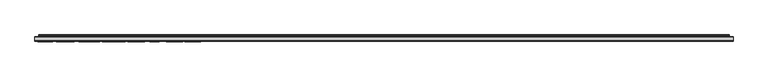
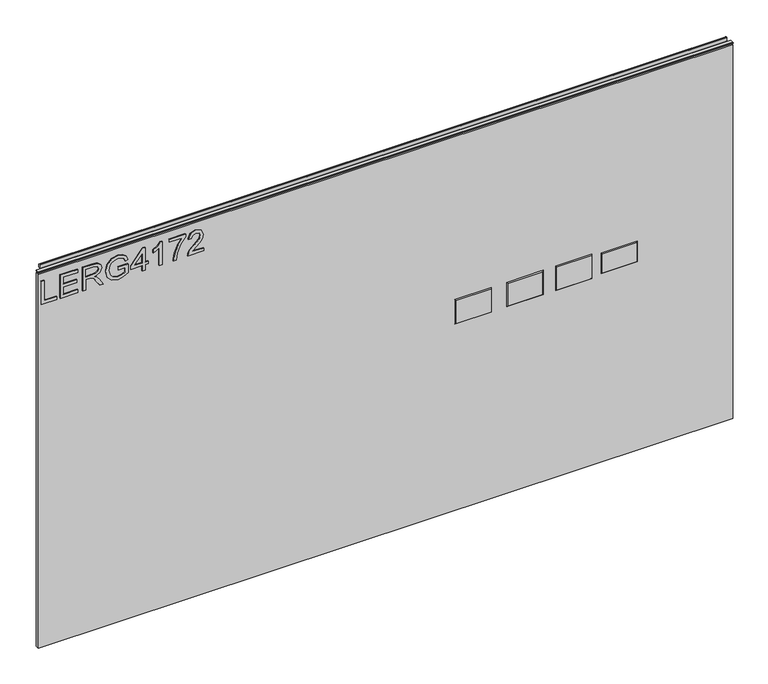
"""IFC4 building model written with IfcOpenShell, lengths in millimetres: furniture geometry."""

import ifcopenshell
import ifcopenshell.guid

model = None  # the IFC model being written
_history = None  # IfcOwnerHistory: only IFC2X3 demands one
_inside = {}  # id of a spatial element -> (the spatial element, [elements in it])
_under = {}  # id of a project, library or spatial element -> (it, [spatial elements below it])
_declared = {}  # id of a project -> (the project, [libraries it declares])
_typed = {}  # id of a type object -> (the type object, [elements of that type])
_made_of = {}  # id of a material, layer set ... -> (it, [elements and type objects made of it])


def new_model(schema):
    """Start an empty IFC model of exactly this schema.

    Asked for "IFC4X3", IfcOpenShell would pick the latest addendum, in which some entities
    have other attributes; the version numbers below select the first issue.
    IFC2X3 requires an IfcOwnerHistory on every rooted entity: one is made here for all.
    """
    global model, _history
    if schema == "IFC4X3":
        model = ifcopenshell.file(schema_version=(4, 3, 0, 0))
    else:
        model = ifcopenshell.file(schema=schema)
    _inside.clear()
    _under.clear()
    _declared.clear()
    _typed.clear()
    _made_of.clear()
    _history = None
    if model.schema == "IFC2X3":
        org = make("IfcOrganization", Name="unknown")
        user = make(
            "IfcPersonAndOrganization",
            ThePerson=make("IfcPerson", FamilyName="unknown"),
            TheOrganization=org,
        )
        app = make(
            "IfcApplication",
            ApplicationDeveloper=org,
            Version="unknown",
            ApplicationFullName="unknown",
            ApplicationIdentifier="unknown",
        )
        _history = make(
            "IfcOwnerHistory",
            OwningUser=user,
            OwningApplication=app,
            ChangeAction="ADDED",
            CreationDate=0,
        )
    return model


def make(cls, **values):
    """One entity of the class cls with the attributes given. An attribute that is None is left unset."""
    return model.create_entity(
        cls, **{name: value for name, value in values.items() if value is not None}
    )


def rooted(cls, **values):
    """An entity with a GlobalId (a new one), such as an element, a storey or a relation."""
    return make(cls, GlobalId=ifcopenshell.guid.new(), OwnerHistory=_history, **values)


def si_unit(unit_type, name, prefix=None):
    """IfcSIUnit, for example si_unit("LENGTHUNIT", "METRE", prefix="MILLI")."""
    return make("IfcSIUnit", UnitType=unit_type, Prefix=prefix, Name=name)


def assignment(units):
    """IfcUnitAssignment: the units of a project."""
    return None if units is None else make("IfcUnitAssignment", Units=units)


def point(xyz):
    """IfcCartesianPoint."""
    return None if xyz is None else make("IfcCartesianPoint", Coordinates=xyz)


def direction(xyz):
    """IfcDirection."""
    return None if xyz is None else make("IfcDirection", DirectionRatios=xyz)


def frame(location, z_axis=None, x_axis=None):
    """IfcAxis2Placement3D, a coordinate frame: its origin and axes. An axis left out is left unset."""
    return make(
        "IfcAxis2Placement3D",
        Location=point(location),
        Axis=direction(z_axis),
        RefDirection=direction(x_axis),
    )


def origin():
    """The frame at (0, 0, 0) with its axes left unset."""
    return frame((0.0, 0.0, 0.0))


def place(relative_to, where):
    """IfcLocalPlacement: puts the frame where relative to a parent placement (None: the world)."""
    return make(
        "IfcLocalPlacement", PlacementRelTo=relative_to, RelativePlacement=where
    )


def context(
    kind, dimensions, precision=None, world=None, true_north=None, identifier=None
):
    """IfcGeometricRepresentationContext, for example the 3D "Model" context."""
    return make(
        "IfcGeometricRepresentationContext",
        ContextIdentifier=identifier,
        ContextType=kind,
        CoordinateSpaceDimension=dimensions,
        Precision=precision,
        WorldCoordinateSystem=world,
        TrueNorth=true_north,
    )


def project(units=None, contexts=None):
    """IfcProject with its units and contexts."""
    return rooted(
        "IfcProject",
        Name="project",
        RepresentationContexts=contexts,
        UnitsInContext=assignment(units),
    )


def spatial(cls, under=None, at=None, **own):
    """A site, building, storey or space (cls), placed at a placement, below another one or the project."""
    s = rooted(cls, ObjectPlacement=at, **own)
    if under is not None:
        _under.setdefault(under.id(), (under, []))[1].append(s)
    return s


def polyline(points):
    """IfcPolyline through the points."""
    return make("IfcPolyline", Points=[point(p) for p in points])


def outline(outer, holes=None, kind="AREA"):
    """IfcArbitraryClosedProfileDef: a profile drawn as a closed curve; with holes, ...WithVoids."""
    if holes is None:
        return make("IfcArbitraryClosedProfileDef", ProfileType=kind, OuterCurve=outer)
    return make(
        "IfcArbitraryProfileDefWithVoids",
        ProfileType=kind,
        OuterCurve=outer,
        InnerCurves=holes,
    )


def extrude(swept, where, along, depth):
    """IfcExtrudedAreaSolid: the profile swept, set in the frame where, extruded along a direction by depth."""
    return make(
        "IfcExtrudedAreaSolid",
        SweptArea=swept,
        Position=where,
        ExtrudedDirection=direction(along),
        Depth=depth,
    )


def faces_of(points, faces, orient=None, outer=None):
    """IfcFace entities. A face is a list of loops; a loop is a list of indices into points, from 0.

    orient and outer hold one flag for each loop. By default every Orientation is true, the
    first loop of a face is its IfcFaceOuterBound and the others are IfcFaceBound.
    """
    made = []
    for i, loops in enumerate(faces):
        bounds = []
        for j, loop in enumerate(loops):
            is_outer = j == 0 if outer is None else outer[i][j]
            bounds.append(
                make(
                    "IfcFaceOuterBound" if is_outer else "IfcFaceBound",
                    Bound=make("IfcPolyLoop", Polygon=[points[k] for k in loop]),
                    Orientation=True if orient is None else orient[i][j],
                )
            )
        made.append(make("IfcFace", Bounds=bounds))
    return made


def faceted_brep(points, faces, orient=None, outer=None, voids=None):
    """IfcFacetedBrep: a solid bounded by flat faces; with voids (closed shells), ...WithVoids."""
    shared = [point(p) for p in points]
    hull = make("IfcClosedShell", CfsFaces=faces_of(shared, faces, orient, outer))
    if voids is None:
        return make("IfcFacetedBrep", Outer=hull)
    return make(
        "IfcFacetedBrepWithVoids",
        Outer=hull,
        Voids=[
            make(cls, CfsFaces=faces_of(shared, fs, o, b)) for cls, fs, o, b in voids
        ],
    )


def shape(context_of_items, identifier, shape_type, items):
    """IfcShapeRepresentation: the items that make up one representation, for example the "Body"."""
    return make(
        "IfcShapeRepresentation",
        ContextOfItems=context_of_items,
        RepresentationIdentifier=identifier,
        RepresentationType=shape_type,
        Items=items,
    )


def source(mapping_origin, context_of_items, identifier, shape_type, items):
    """IfcRepresentationMap: a shape defined once, which mapped items show again and again."""
    return make(
        "IfcRepresentationMap",
        MappingOrigin=mapping_origin,
        MappedRepresentation=shape(context_of_items, identifier, shape_type, items),
    )


def transform(
    local_origin,
    x_axis=None,
    y_axis=None,
    z_axis=None,
    scale=None,
    scale2=None,
    scale3=None,
    uniform=True,
):
    """IfcCartesianTransformationOperator3D, or its non-uniform kind. x_axis, y_axis, z_axis: its Axis1, 2, 3."""
    if uniform:
        return make(
            "IfcCartesianTransformationOperator3D",
            Axis1=direction(x_axis),
            Axis2=direction(y_axis),
            LocalOrigin=point(local_origin),
            Scale=scale,
            Axis3=direction(z_axis),
        )
    return make(
        "IfcCartesianTransformationOperator3DnonUniform",
        Axis1=direction(x_axis),
        Axis2=direction(y_axis),
        LocalOrigin=point(local_origin),
        Scale=scale,
        Axis3=direction(z_axis),
        Scale2=scale2,
        Scale3=scale3,
    )


def mapped(mapping_source, mapping_target):
    """IfcMappedItem: shows the shape of a source again, moved by a transform."""
    return make(
        "IfcMappedItem", MappingSource=mapping_source, MappingTarget=mapping_target
    )


def made_of(thing, what):
    """Note that an element or type object is made of a material, layer set ...; save() writes the relation."""
    if what is not None:
        _made_of.setdefault(what.id(), (what, []))[1].append(thing)
    return thing


def element(
    cls,
    number,
    at=None,
    inside=None,
    cuts=None,
    type_object=None,
    material=None,
    context=None,
    identifier="Body",
    shape_type=None,
    held_by="IfcProductDefinitionShape",
    body=None,
    shapes=None,
    **own,
):
    """One element of the class cls, such as IfcWall. Its Tag is "e" and its number.

    at: its placement. inside: the storey or other place that contains it. cuts: it is an
    opening in that element (IfcRelVoidsElement). A single representation is given by context,
    identifier, shape_type and body (its items); several are given by shapes. held_by: the class
    of the entity that holds the representations. save() writes the other relations.
    """
    e = rooted(cls, Tag="e%d" % number, ObjectPlacement=at, **own)
    if body is not None:
        shapes = [shape(context, identifier, shape_type, body)]
    if shapes is not None:
        e.Representation = make(held_by, Representations=shapes)
    if inside is not None:
        _inside.setdefault(inside.id(), (inside, []))[1].append(e)
    if cuts is not None:
        rooted(
            "IfcRelVoidsElement", RelatingBuildingElement=cuts, RelatedOpeningElement=e
        )
    if type_object is not None:
        _typed.setdefault(type_object.id(), (type_object, []))[1].append(e)
    return made_of(e, material)


def aggregate(whole, parts):
    """IfcRelAggregates: a whole, such as a stair, and the parts it consists of."""
    return rooted("IfcRelAggregates", RelatingObject=whole, RelatedObjects=parts)


def save(model, path):
    """Write the relations noted so far, then the file.

    IfcRelAggregates (storeys below a building ...), IfcRelContainedInSpatialStructure (elements
    in a storey), IfcRelDefinesByType, IfcRelAssociatesMaterial and IfcRelDeclares: one each for
    every whole, place, type object, material and project.
    """
    for whole, parts in _under.values():
        aggregate(whole, parts)
    for where, things in _inside.values():
        rooted(
            "IfcRelContainedInSpatialStructure",
            RelatedElements=things,
            RelatingStructure=where,
        )
    for kind, things in _typed.values():
        rooted("IfcRelDefinesByType", RelatedObjects=things, RelatingType=kind)
    for what, things in _made_of.values():
        rooted("IfcRelAssociatesMaterial", RelatedObjects=things, RelatingMaterial=what)
    for by, libraries in _declared.values():
        rooted("IfcRelDeclares", RelatingContext=by, RelatedDefinitions=libraries)
    model.write(path)


def furniture_23f48b8a(model_context):
    return source(origin(), model_context, "Body", "SolidModel", [
        extrude(outline(polyline([(1051.5276297, -291.2189953), (1051.5276297, -251.3503972), (1059.5013493, -251.3503972), (1059.5013493, -283.2452757), (1115.3173866, -283.2452757), (1115.3173866, -291.2189953), (1051.5276297, -291.2189953)])), frame((0.0, -5.5279467, 0.0), z_axis=(0.0, 1.0, 0.0), x_axis=(0.0, 0.0, 1.0)), (0.0, 0.0, 1.0), 2.38125),
        extrude(outline(polyline([(1051.5276297, -242.3799627), (1051.5276297, -195.5343599), (1059.5013493, -195.5343599), (1059.5013493, -234.4062431), (1080.4323633, -234.4062431), (1080.4323633, -198.5245048), (1088.4060829, -198.5245048), (1088.4060829, -234.4062431), (1107.343667, -234.4062431), (1107.343667, -196.5310749), (1115.3173866, -196.5310749), (1115.3173866, -242.3799627), (1051.5276297, -242.3799627)])), frame((0.0, -5.5279467, 0.0), z_axis=(0.0, 1.0, 0.0), x_axis=(0.0, 0.0, 1.0)), (0.0, 0.0, 1.0), 2.38125),
        extrude(outline(polyline([(1051.5276297, -183.5737805), (1051.5276297, -175.6000609), (1079.4356483, -175.6000609), (1079.4356483, -165.9755321), (1079.1553223, -161.3501518), (1077.6368893, -157.5579629), (1073.5020796, -153.3452848), (1064.7496765, -147.3494214), (1051.5276297, -139.0486547), (1051.5276297, -129.7823204), (1068.8144046, -140.4191378), (1077.0217293, -146.8822113), (1080.4323633, -151.4141496), (1086.365932, -138.0597266), (1097.8593013, -133.7380329), (1107.5071906, -136.3466228), (1113.596496, -143.3236275), (1115.3173866, -156.0862509), (1115.3173866, -183.5737805), (1051.5276297, -183.5737805)]), holes=[polyline([(1087.409368, -175.6000609), (1107.343667, -175.6000609), (1107.343667, -155.7436302), (1104.5871272, -145.0834523), (1097.5634015, -141.7117525), (1092.1515508, -143.4793642), (1088.5384591, -148.649823), (1087.409368, -157.7526338), (1087.409368, -175.6000609)])]), frame((0.0, -5.5279467, 0.0), z_axis=(0.0, 1.0, 0.0), x_axis=(0.0, 0.0, 1.0)), (0.0, 0.0, 1.0), 2.38125),
        extrude(outline(polyline([(1076.4455035, -89.882575), (1076.4455035, -71.9417058), (1064.9209869, -71.9417058), (1060.5525721, -80.0166543), (1058.5046343, -90.9260109), (1061.22224, -103.0812613), (1069.5385803, -111.8025171), (1083.4380818, -114.8004488), (1095.9593134, -112.3086614), (1102.1031267, -108.2049991), (1106.6194913, -101.2591417), (1108.340382, -91.0506003), (1106.7440807, -82.0879526), (1102.4924685, -75.8740578), (1095.1183352, -72.2376056), (1097.1896334, -64.8868328), (1107.7407956, -69.706884), (1114.0481324, -78.4515004), (1116.3141016, -90.9260109), (1112.4051101, -107.7144284), (1100.4523175, -118.8885375), (1083.1110347, -122.7741684), (1066.1513069, -118.8729638), (1054.541135, -107.3172998), (1050.5309147, -90.2874904), (1053.0538495, -76.7617571), (1060.5759326, -63.9679862), (1084.4192231, -63.9679862), (1084.4192231, -89.882575), (1076.4455035, -89.882575)])), frame((0.0, -5.5279467, 0.0), z_axis=(0.0, 1.0, 0.0), x_axis=(0.0, 0.0, 1.0)), (0.0, 0.0, 1.0), 2.38125),
        extrude(outline(polyline([(1051.5276297, -28.0862479), (1051.5276297, -20.1125283), (1066.478354, -20.1125283), (1066.478354, -12.1388087), (1074.4520736, -12.1388087), (1074.4520736, -20.1125283), (1114.3206717, -20.1125283), (1114.3206717, -26.092818), (1074.4520736, -56.9909816), (1066.478354, -56.9909816), (1066.478354, -28.0862479), (1051.5276297, -28.0862479)]), holes=[polyline([(1074.4520736, -28.0862479), (1074.4520736, -47.1795687), (1099.0896213, -28.0862479), (1074.4520736, -28.0862479)])]), frame((0.0, -5.5279467, 0.0), z_axis=(0.0, 1.0, 0.0), x_axis=(0.0, 0.0, 1.0)), (0.0, 0.0, 1.0), 2.38125),
        extrude(outline(polyline([(1051.5276297, 24.7396445), (1115.3173866, 24.7396445), (1115.3173866, 19.6003331), (1106.8297359, 12.5065259), (1099.3699474, 0.8184857), (1091.8322906, 0.8184857), (1095.8580845, 9.2126944), (1101.2387879, 16.7659249), (1051.5276297, 16.7659249), (1051.5276297, 24.7396445)])), frame((0.0, -5.5279467, 0.0), z_axis=(0.0, 1.0, 0.0), x_axis=(0.0, 0.0, 1.0)), (0.0, 0.0, 1.0), 2.38125),
        extrude(outline(polyline([(1106.3469521, 43.6772286), (1106.3469521, 77.565537), (1089.8466475, 65.5115156), (1069.5152198, 56.8136202), (1051.5276297, 53.6443781), (1051.5276297, 61.6180978), (1068.8611256, 64.5770953), (1090.7187731, 73.6643324), (1107.8731718, 85.5392566), (1114.3206717, 85.5392566), (1114.3206717, 43.6772286), (1106.3469521, 43.6772286)])), frame((0.0, -5.5279467, 0.0), z_axis=(0.0, 1.0, 0.0), x_axis=(0.0, 0.0, 1.0)), (0.0, 0.0, 1.0), 2.38125),
        extrude(outline(polyline([(1059.5013493, 133.3815743), (1059.5013493, 102.0629217), (1063.5582906, 105.6604397), (1071.2283237, 114.833332), (1082.153254, 126.2566198), (1089.9712369, 130.9676553), (1097.5322542, 132.3848594), (1110.2092225, 127.1287454), (1115.3173866, 112.8554758), (1110.7231536, 98.6289272), (1097.3765175, 92.5162613), (1096.3798025, 100.4899809), (1104.4313905, 103.846107), (1107.343667, 112.6841654), (1104.361309, 121.1640293), (1097.0494704, 124.4111398), (1088.0167411, 120.9693584), (1074.7323997, 107.2022332), (1065.4894258, 97.21951), (1057.0251356, 92.3760982), (1051.5276297, 91.5195463), (1051.5276297, 133.3815743), (1059.5013493, 133.3815743)])), frame((0.0, -5.5279467, 0.0), z_axis=(0.0, 1.0, 0.0), x_axis=(0.0, 0.0, 1.0)), (0.0, 0.0, 1.0), 2.38125),
        faceted_brep([(1265.2763937, -5.2069939, 677.1132), (1175.6143937, -5.2069939, 677.1132), (1175.6143937, -5.2069939, 625.0432), (1265.2763937, -5.2069939, 625.0432), (1267.5623937, -3.1749939, 679.3992), (1267.5623937, -3.1749939, 622.7572), (1173.3283937, -3.1749939, 622.7572), (1173.3283937, -3.1749939, 679.3992)], [[[0, 1, 2, 3]], [[4, 5, 6, 7]], [[4, 7, 1, 0]], [[7, 6, 2, 1]], [[6, 5, 3, 2]], [[5, 4, 0, 3]]]),
        faceted_brep([(1147.0266938, -5.2069939, 682.5742), (1056.3486937, -5.2069939, 682.5742), (1056.3486937, -5.2069939, 619.5822), (1147.0266938, -5.2069939, 619.5822), (1149.3126938, -3.1749939, 684.8602), (1149.3126938, -3.1749939, 617.2962), (1054.0626937, -3.1749939, 617.2962), (1054.0626937, -3.1749939, 684.8602)], [[[0, 1, 2, 3]], [[4, 5, 6, 7]], [[4, 7, 1, 0]], [[7, 6, 2, 1]], [[6, 5, 3, 2]], [[5, 4, 0, 3]]]),
        faceted_brep([(1020.0266937, -5.2069939, 682.5742), (929.3486937, -5.2069939, 682.5742), (929.3486937, -5.2069939, 619.5822), (1020.0266937, -5.2069939, 619.5822), (1022.3126937, -3.1749939, 684.8602), (1022.3126937, -3.1749939, 617.2962), (927.0626937, -3.1749939, 617.2962), (927.0626937, -3.1749939, 684.8602)], [[[0, 1, 2, 3]], [[4, 5, 6, 7]], [[4, 7, 1, 0]], [[7, 6, 2, 1]], [[6, 5, 3, 2]], [[5, 4, 0, 3]]]),
        faceted_brep([(884.2890937, -5.2069939, 682.5742), (793.6110937, -5.2069939, 682.5742), (793.6110937, -5.2069939, 619.5822), (884.2890937, -5.2069939, 619.5822), (886.5750937, -3.1749939, 684.8602), (886.5750937, -3.1749939, 617.2962), (791.3250937, -3.1749939, 617.2962), (791.3250937, -3.1749939, 684.8602)], [[[0, 1, 2, 3]], [[4, 5, 6, 7]], [[4, 7, 1, 0]], [[7, 6, 2, 1]], [[6, 5, 3, 2]], [[5, 4, 0, 3]]]),
        extrude(outline(polyline([(-298.196, 6.3500061), (1516.888, 6.3500061), (1516.888, -3.1749939), (-298.196, -3.1749939), (-298.196, 6.3500061)])), frame((0.0, 0.0, 101.6), z_axis=(0.0, 0.0, 1.0), x_axis=(1.0, 0.0, 0.0)), (0.0, 0.0, 1.0), 1033.9578),
        extrude(outline(polyline([(5.5562561, 1143.0), (5.5562561, 1139.8249996), (-3.975094, 1139.8249996), (-5.3492339, 1140.6183657), (-5.3492339, 1142.2066395), (-3.9751037, 1143.0), (5.5562561, 1143.0)])), frame((-298.196, 0.0, 0.0), z_axis=(1.0, 0.0, 0.0), x_axis=(0.0, 1.0, 0.0)), (0.0, 0.0, 1.0), 1815.084),
        extrude(outline(polyline([(5.5562561, 1143.0), (6.3500061, 1143.0), (6.3500061, 1152.87425), (7.1437561, 1153.668), (8.6677569, 1153.668), (10.0084363, 1153.2506926), (10.875413, 1152.1461816), (10.9623604, 1150.7447591), (10.2390011, 1147.7863459), (10.4046103, 1146.5833307), (11.6746103, 1144.3836103), (10.7786383, 1143.8663244), (7.1437561, 1143.8663244), (7.1437561, 1143.0), (6.3500061, 1142.7669239), (6.3500061, 1135.5578), (5.5562561, 1135.5578), (5.5562561, 1143.0)])), frame((-288.671, 0.0, 0.0), z_axis=(1.0, 0.0, 0.0), x_axis=(0.0, 1.0, 0.0)), (0.0, 0.0, 1.0), 1796.034),
    ])


if __name__ == "__main__":
    model = new_model("IFC4")
    model_context = context("Model", 3, world=origin())
    ifc_project = project(units=[si_unit("LENGTHUNIT", "METRE", prefix="MILLI")], contexts=[model_context])
    site = spatial("IfcSite", under=ifc_project)
    building = spatial("IfcBuilding", under=site)
    placement = place(None, origin())
    furniture_shape = furniture_23f48b8a(model_context)
    element("IfcFurniture", 1, at=placement, inside=building, context=model_context, shape_type="MappedRepresentation", body=[
        mapped(furniture_shape, transform((0.0, 0.0, 0.0), x_axis=(1.0, 0.0, 0.0), y_axis=(0.0, 1.0, 0.0), z_axis=(0.0, 0.0, 1.0))),
    ])
    save(model, "model.ifc")
